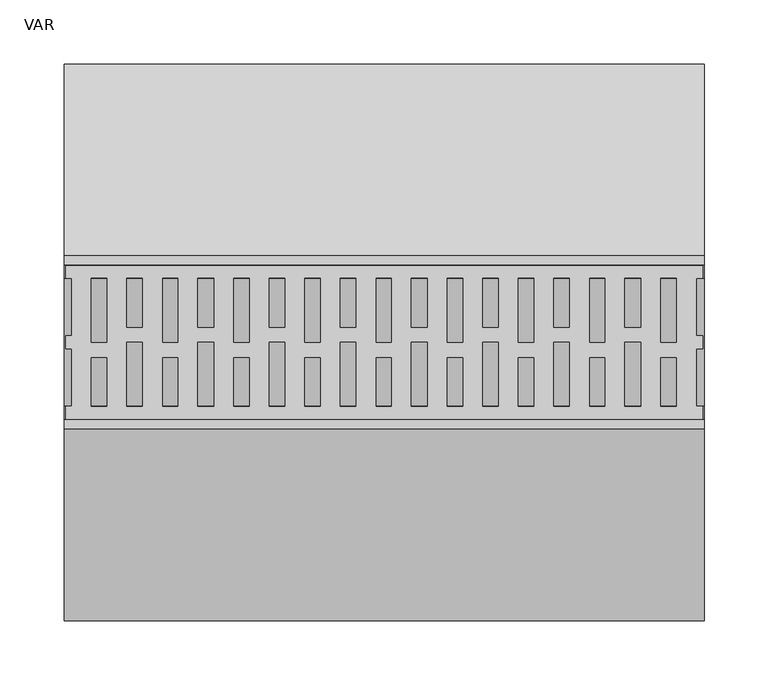
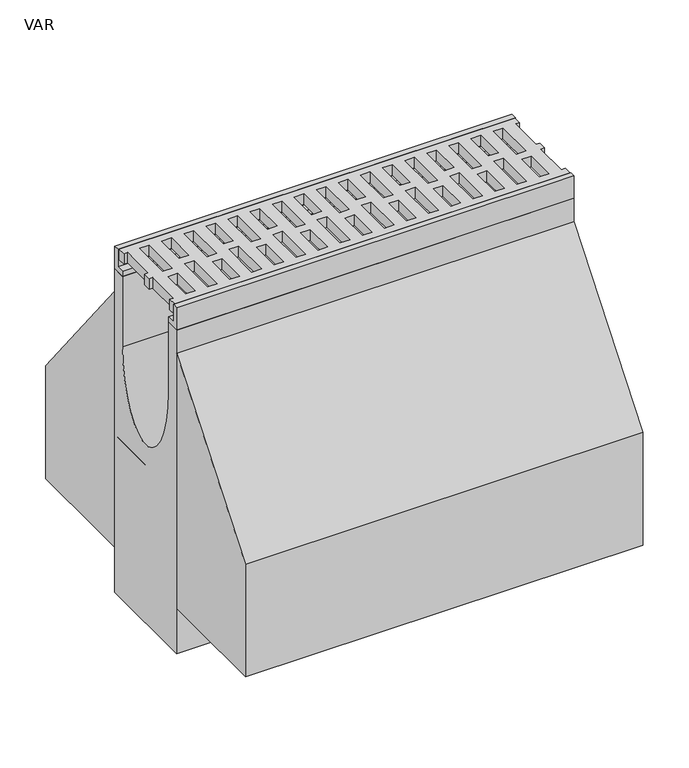
"""IFC4 building model written with IfcOpenShell, lengths in millimetres: flow terminal geometry, VAR."""

from ifc_helpers import new_model, si_unit, point, frame, origin, place, context, project, spatial, polyline, circle_curve, ellipse_curve, trimmed, outline, extrude, source, transform, mapped, element, save
from ifc_brep_helpers import plane_surface, revolved_surface, extruded_surface, advanced_brep


def var_ef349949(model_context):
    return source(origin(), model_context, "Body", "SolidModel", [
        extrude(outline(polyline([(499.0, 50.0), (493.7871589, 50.0), (493.7871589, 5.0), (499.0, 5.0), (499.0, -5.0), (493.9604202, -5.0), (493.9604202, -50.0), (499.0, -50.0), (499.0, -60.0), (1.5, -60.0), (1.5, -50.0), (6.0847381, -50.0), (6.0847381, -5.0), (1.5, -5.0), (1.5, 5.0), (6.0847381, 5.0), (6.0847381, 50.0), (1.5, 50.0), (1.5, 60.0), (499.0, 60.0), (499.0, 50.0)]), holes=[polyline([(478.2, 50.0), (466.2429028, 50.0), (466.2429028, 0.0), (478.2, 0.0), (478.2, 50.0)]), polyline([(450.4, 50.0), (438.2305238, 50.0), (438.2305238, 11.948473), (450.4, 11.948473), (450.4, 50.0)]), polyline([(422.6, 50.0), (410.6429028, 50.0), (410.6429028, 0.0), (422.6, 0.0), (422.6, 50.0)]), polyline([(394.8, 50.0), (382.6305238, 50.0), (382.6305238, 11.948473), (394.8, 11.948473), (394.8, 50.0)]), polyline([(367.0, 50.0), (355.0429028, 50.0), (355.0429028, 0.0), (367.0, 0.0), (367.0, 50.0)]), polyline([(339.2, 50.0), (327.0305238, 50.0), (327.0305238, 11.948473), (339.2, 11.948473), (339.2, 50.0)]), polyline([(311.4, 50.0), (299.4429028, 50.0), (299.4429028, 0.0), (311.4, 0.0), (311.4, 50.0)]), polyline([(283.6, 50.0), (271.4305238, 50.0), (271.4305238, 11.948473), (283.6, 11.948473), (283.6, 50.0)]), polyline([(255.8, 50.0), (243.8429028, 50.0), (243.8429028, 0.0), (255.8, 0.0), (255.8, 50.0)]), polyline([(228.0, 50.0), (215.8305238, 50.0), (215.8305238, 11.948473), (228.0, 11.948473), (228.0, 50.0)]), polyline([(200.2, 50.0), (188.2429028, 50.0), (188.2429028, 0.0), (200.2, 0.0), (200.2, 50.0)]), polyline([(172.4, 50.0), (160.2305238, 50.0), (160.2305238, 11.948473), (172.4, 11.948473), (172.4, 50.0)]), polyline([(144.6, 50.0), (132.6429028, 50.0), (132.6429028, 0.0), (144.6, 0.0), (144.6, 50.0)]), polyline([(116.8, 50.0), (104.6305238, 50.0), (104.6305238, 11.948473), (116.8, 11.948473), (116.8, 50.0)]), polyline([(89.0, 50.0), (77.0429028, 50.0), (77.0429028, 0.0), (89.0, 0.0), (89.0, 50.0)]), polyline([(61.2, 50.0), (49.0305238, 50.0), (49.0305238, 11.948473), (61.2, 11.948473), (61.2, 50.0)]), polyline([(33.4, 50.0), (21.4429028, 50.0), (21.4429028, 0.0), (33.4, 0.0), (33.4, 50.0)]), polyline([(49.0305238, -50.0), (61.2, -50.0), (61.2, 0.0), (49.0305238, 0.0), (49.0305238, -50.0)]), polyline([(104.6305238, -50.0), (116.8, -50.0), (116.8, 0.0), (104.6305238, 0.0), (104.6305238, -50.0)]), polyline([(160.2305238, -50.0), (172.4, -50.0), (172.4, 0.0), (160.2305238, 0.0), (160.2305238, -50.0)]), polyline([(215.8305238, -50.0), (228.0, -50.0), (228.0, 0.0), (215.8305238, 0.0), (215.8305238, -50.0)]), polyline([(271.4305238, -50.0), (283.6, -50.0), (283.6, 0.0), (271.4305238, 0.0), (271.4305238, -50.0)]), polyline([(327.0305238, -50.0), (339.2, -50.0), (339.2, 0.0), (327.0305238, 0.0), (327.0305238, -50.0)]), polyline([(382.6305238, -50.0), (394.8, -50.0), (394.8, 0.0), (382.6305238, 0.0), (382.6305238, -50.0)]), polyline([(438.2305238, -50.0), (450.4, -50.0), (450.4, 0.0), (438.2305238, 0.0), (438.2305238, -50.0)]), polyline([(478.2, -50.0), (478.2, -11.948473), (466.2, -11.948473), (466.2, -50.0), (478.2, -50.0)]), polyline([(422.6, -50.0), (422.6, -11.948473), (410.6, -11.948473), (410.6, -50.0), (422.6, -50.0)]), polyline([(367.0, -50.0), (367.0, -11.948473), (355.0, -11.948473), (355.0, -50.0), (367.0, -50.0)]), polyline([(311.4, -50.0), (311.4, -11.948473), (299.4, -11.948473), (299.4, -50.0), (311.4, -50.0)]), polyline([(255.8, -50.0), (255.8, -11.948473), (243.8, -11.948473), (243.8, -50.0), (255.8, -50.0)]), polyline([(200.2, -50.0), (200.2, -11.948473), (188.2, -11.948473), (188.2, -50.0), (200.2, -50.0)]), polyline([(144.6, -50.0), (144.6, -11.948473), (132.6, -11.948473), (132.6, -50.0), (144.6, -50.0)]), polyline([(89.0, -50.0), (89.0, -11.948473), (77.0, -11.948473), (77.0, -50.0), (89.0, -50.0)]), polyline([(33.4, -50.0), (33.4, -11.948473), (21.4, -11.948473), (21.4, -50.0), (33.4, -50.0)])]), frame((0.0, 0.0, -14.0), z_axis=(0.0, 0.0, 1.0), x_axis=(1.0, 0.0, 0.0)), (0.0, 0.0, 1.0), 14.0),
        advanced_brep(
        [(0.0, 50.0, -30.0), (0.0, 67.5, -30.0), (0.0, 67.5, -460.0), (0.0, -67.5, -460.0), (0.0, -67.5, -30.0), (0.0, -50.0, -30.0), (0.0, -50.0, -123.0), (0.0, 50.0, -123.0), (500.0, 50.0, -30.0), (500.0, 50.0, -123.0), (500.0, -50.0, -123.0), (500.0, -50.0, -30.0), (500.0, -67.5, -30.0), (500.0, -67.5, -460.0), (500.0, 67.5, -460.0), (500.0, 67.5, -30.0), (200.0, -67.5, -383.0), (300.0, -67.5, -383.0), (300.0, -50.0, -383.0), (200.0, -50.0, -383.0)],
        [
            (0, 1),
            (1, 2),
            (2, 3),
            (3, 4),
            (4, 5),
            (5, 6),
            (6, 7, ellipse_curve(frame((0.0, 0.0, -123.0), z_axis=(1.0, 0.0, 0.0), x_axis=(0.0, 1.0, 0.0)), 50.0, 100.0)),
            (7, 0),
            (8, 9),
            (9, 10, ellipse_curve(frame((500.0, 0.0, -123.0), z_axis=(-1.0, 0.0, 0.0), x_axis=(0.0, 1.0, 0.0)), 50.0, 100.0)),
            (10, 11),
            (11, 12),
            (12, 13),
            (13, 14),
            (14, 15),
            (15, 8),
            (7, 9),
            (8, 0),
            (6, 10),
            (5, 11),
            (4, 12),
            (3, 13),
            (16, 17, circle_curve(frame((250.0, -67.5, -383.0), z_axis=(0.0, 1.0, 0.0), x_axis=(-1.0, 0.0, 0.0)), 50.0)),
            (17, 16, circle_curve(frame((250.0, -67.5, -383.0), z_axis=(0.0, 1.0, 0.0), x_axis=(-1.0, 0.0, 0.0)), 50.0)),
            (2, 14),
            (1, 15),
            (18, 19, circle_curve(frame((250.0, -50.0, -383.0), z_axis=(0.0, -1.0, 0.0), x_axis=(-1.0, 0.0, 0.0)), 50.0)),
            (19, 18, circle_curve(frame((250.0, -50.0, -383.0), z_axis=(0.0, -1.0, 0.0), x_axis=(-1.0, 0.0, 0.0)), 50.0)),
            (19, 16),
            (17, 18),
        ],
        [
            plane_surface(frame((0.0, 0.0, -160.75), z_axis=(-1.0, 0.0, 0.0), x_axis=(0.0, 0.0, -1.0))),
            plane_surface(frame((500.0, 0.0, -160.75), z_axis=(1.0, 0.0, 0.0), x_axis=(0.0, 0.0, -1.0))),
            plane_surface(frame((500.0, 50.0, -76.5), z_axis=(0.0, -1.0, 0.0), x_axis=(0.0, 0.0, -1.0))),
            extruded_surface(trimmed(ellipse_curve(frame((0.0, 0.0, -123.0), z_axis=(-1.0, 0.0, 0.0), x_axis=(0.0, 1.0, 0.0)), 50.0, 100.0), [point((0.0, 50.0, -123.0))], [point((0.0, -50.0, -123.0))], True, "CARTESIAN"), (500.0, 0.0, 0.0), 500.0),
            plane_surface(frame((500.0, -50.0, -76.5), z_axis=(0.0, 1.0, 0.0), x_axis=(0.0, 0.0, 1.0))),
            plane_surface(frame((500.0, -58.75, -30.0), z_axis=(0.0, 0.0, 1.0), x_axis=(0.0, -1.0, 0.0))),
            plane_surface(frame((500.0, -67.5, -245.0), z_axis=(0.0, -1.0, 0.0), x_axis=(0.0, 0.0, -1.0))),
            plane_surface(frame((500.0, 0.0, -460.0), z_axis=(0.0, 0.0, -1.0), x_axis=(0.0, 1.0, 0.0))),
            plane_surface(frame((500.0, 67.5, -245.0), z_axis=(0.0, 1.0, 0.0), x_axis=(0.0, 0.0, 1.0))),
            plane_surface(frame((500.0, 58.75, -30.0), z_axis=(0.0, 0.0, 1.0), x_axis=(0.0, -1.0, 0.0))),
            plane_surface(frame((200.0, -50.0, -383.0), z_axis=(0.0, -1.0, 0.0), x_axis=(0.0, 0.0, -1.0))),
            revolved_surface(polyline([(200.0, -67.5, -383.0), (200.0, -50.0, -383.0)]), (250.0, -50.0, -383.0), (0.0, -1.0, 0.0)),
        ],
        [
            (0, [[1, 2, 3, 4, 5, 6, 7, 8]]),
            (1, [[9, 10, 11, 12, 13, 14, 15, 16]]),
            (2, [[17, -9, 18, -8]]),
            (3, [[19, -10, -17, -7]]),
            (4, [[20, -11, -19, -6]]),
            (5, [[21, -12, -20, -5]]),
            (6, [[22, -13, -21, -4], [23, 24]]),
            (7, [[25, -14, -22, -3]]),
            (8, [[26, -15, -25, -2]]),
            (9, [[-18, -16, -26, -1]]),
            (10, [[27, 28]]),
            (11, [[29, -24, 30, -28]]),
            (11, [[-30, -23, -29, -27]]),
        ],
    ),
        extrude(outline(polyline([(60.5, 0.0), (67.5, 0.0), (67.5, -30.0), (50.0, -30.0), (50.0, -23.0), (60.5, -23.0), (60.5, 0.0)])), frame((0.0, 0.0, 0.0), z_axis=(1.0, 0.0, 0.0), x_axis=(0.0, 1.0, 0.0)), (0.0, 0.0, 1.0), 500.0),
        extrude(outline(polyline([(-60.5, 0.0), (-60.5, -23.0), (-50.0, -23.0), (-50.0, -30.0), (-67.5, -30.0), (-67.5, 0.0), (-60.5, 0.0)])), frame((0.0, 0.0, 0.0), z_axis=(1.0, 0.0, 0.0), x_axis=(0.0, 1.0, 0.0)), (0.0, 0.0, 1.0), 500.0),
        extrude(outline(polyline([(67.5, -250.0), (67.5, -60.0), (217.5, -250.0), (217.5, -400.0), (-217.5, -400.0), (-217.5, -250.0), (-67.5, -60.0), (-67.5, -250.0), (67.5, -250.0)])), frame((0.0, 0.0, 0.0), z_axis=(1.0, 0.0, 0.0), x_axis=(0.0, 1.0, 0.0)), (0.0, 0.0, 1.0), 500.0),
    ])


if __name__ == "__main__":
    model = new_model("IFC4")
    model_context = context("Model", 3, world=origin())
    ifc_project = project(units=[si_unit("LENGTHUNIT", "METRE", prefix="MILLI")], contexts=[model_context])
    site = spatial("IfcSite", under=ifc_project)
    building = spatial("IfcBuilding", under=site)
    placement = place(None, origin())
    var_shape = var_ef349949(model_context)
    element("IfcFlowTerminal", 1, ObjectType="VAR", at=placement, inside=building, context=model_context, shape_type="MappedRepresentation", body=[
        mapped(var_shape, transform((0.0, 0.0, 0.0), x_axis=(1.0, 0.0, 0.0), y_axis=(0.0, 1.0, 0.0), z_axis=(0.0, 0.0, 1.0))),
    ])
    save(model, "model.ifc")
